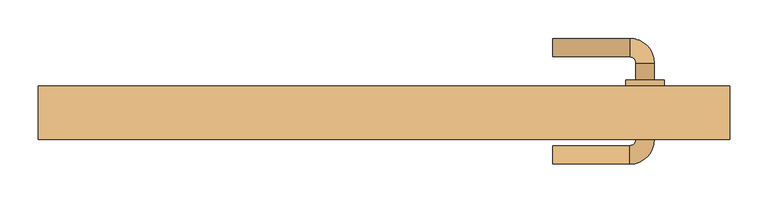
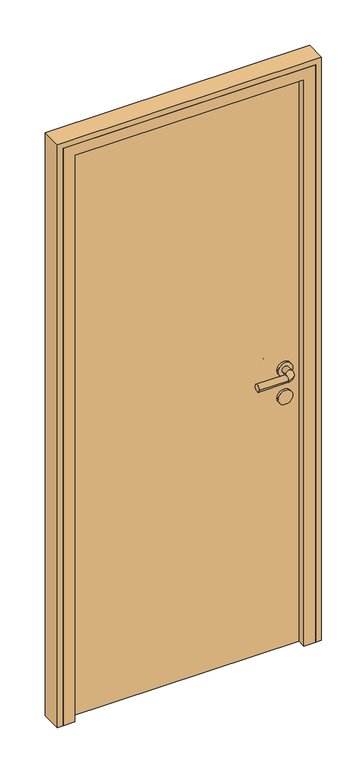
"""IFC4 building model written with IfcOpenShell, lengths in millimetres: door geometry."""

from ifc_helpers import new_model, si_unit, point, frame, frame_2d, origin, origin_with_axes, place, context, project, spatial, polyline, circle_curve, ellipse_curve, trimmed, segment, composite_curve, outline, extrude, faceted_brep, source, transform, mapped, element, save
from ifc_brep_helpers import plane_surface, cylinder_surface, revolved_surface, advanced_brep


def door_438a96b4(model_context):
    return source(origin(), model_context, "Body", "SolidModel", [
        advanced_brep(
        [(220.0, 152.0, 1000.0), (220.0, 128.0, 1000.0), (320.0, 128.0, 1000.0), (320.0, 152.0, 1000.0), (328.0, 120.0, 1000.0), (352.0, 120.0, 1000.0), (352.0, 20.0, 1000.0), (352.0, 42.0, 1000.0), (328.0, 42.0, 1000.0), (328.0, 20.0, 1000.0), (328.0, 98.0, 1000.0), (352.0, 98.0, 1000.0), (320.0, 12.0, 1000.0), (320.0, -12.0, 1000.0), (220.0, -12.0, 1000.0), (220.0, 12.0, 1000.0), (365.0, 98.0, 1000.0), (315.0, 98.0, 1000.0), (365.0, 42.0, 1000.0), (315.0, 42.0, 1000.0)],
        [
            (0, 1, circle_curve(frame((220.0, 140.0, 1000.0), z_axis=(-1.0, 0.0, 0.0), x_axis=(0.0, -1.0, 0.0)), 12.0)),
            (1, 0, circle_curve(frame((220.0, 140.0, 1000.0), z_axis=(-1.0, 0.0, 0.0), x_axis=(0.0, -1.0, 0.0)), 12.0)),
            (1, 2),
            (2, 3, circle_curve(frame((320.0, 140.0, 1000.0), z_axis=(-1.0, 0.0, 0.0), x_axis=(0.0, -1.0, 0.0)), 12.0)),
            (3, 0),
            (3, 2, circle_curve(frame((320.0, 140.0, 1000.0), z_axis=(-1.0, 0.0, 0.0), x_axis=(0.0, -1.0, 0.0)), 12.0)),
            (2, 4, circle_curve(frame((320.0, 120.0, 1000.0), z_axis=(0.0, 0.0, -1.0), x_axis=(0.0, 1.0, 0.0)), 8.0)),
            (4, 5, circle_curve(frame((340.0, 120.0, 1000.0), z_axis=(0.0, 1.0, 0.0), x_axis=(-1.0, 0.0, 0.0)), 12.0)),
            (5, 3, circle_curve(frame((320.0, 120.0, 1000.0), z_axis=(0.0, 0.0, 1.0), x_axis=(0.0, 1.0, 0.0)), 32.0)),
            (5, 4, circle_curve(frame((340.0, 120.0, 1000.0), z_axis=(0.0, 1.0, 0.0), x_axis=(-1.0, 0.0, 0.0)), 12.0)),
            (6, 7),
            (7, 8, circle_curve(frame((340.0, 42.0, 1000.0), z_axis=(0.0, -1.0, 0.0), x_axis=(-1.0, 0.0, 0.0)), 12.0)),
            (8, 9),
            (9, 6, circle_curve(frame((340.0, 20.0, 1000.0), z_axis=(0.0, 1.0, 0.0), x_axis=(-1.0, 0.0, 0.0)), 12.0)),
            (4, 10),
            (10, 11, circle_curve(frame((340.0, 98.0, 1000.0), z_axis=(0.0, 1.0, 0.0), x_axis=(-1.0, 0.0, 0.0)), 12.0)),
            (11, 5),
            (11, 10, circle_curve(frame((340.0, 98.0, 1000.0), z_axis=(0.0, 1.0, 0.0), x_axis=(-1.0, 0.0, 0.0)), 12.0)),
            (8, 7, circle_curve(frame((340.0, 42.0, 1000.0), z_axis=(0.0, -1.0, 0.0), x_axis=(-1.0, 0.0, 0.0)), 12.0)),
            (6, 9, circle_curve(frame((340.0, 20.0, 1000.0), z_axis=(0.0, 1.0, 0.0), x_axis=(-1.0, 0.0, 0.0)), 12.0)),
            (9, 12, circle_curve(frame((320.0, 20.0, 1000.0), z_axis=(0.0, 0.0, -1.0), x_axis=(1.0, 0.0, 0.0)), 8.0)),
            (12, 13, circle_curve(frame((320.0, 0.0, 1000.0), z_axis=(1.0, 0.0, 0.0), x_axis=(0.0, 1.0, 0.0)), 12.0)),
            (13, 6, circle_curve(frame((320.0, 20.0, 1000.0), z_axis=(0.0, 0.0, 1.0), x_axis=(1.0, 0.0, 0.0)), 32.0)),
            (13, 12, circle_curve(frame((320.0, 0.0, 1000.0), z_axis=(1.0, 0.0, 0.0), x_axis=(0.0, 1.0, 0.0)), 12.0)),
            (14, 15, circle_curve(frame((220.0, 0.0, 1000.0), z_axis=(-1.0, 0.0, 0.0), x_axis=(0.0, 1.0, 0.0)), 12.0)),
            (15, 14, circle_curve(frame((220.0, 0.0, 1000.0), z_axis=(-1.0, 0.0, 0.0), x_axis=(0.0, 1.0, 0.0)), 12.0)),
            (12, 15),
            (14, 13),
            (16, 17, circle_curve(frame((340.0, 98.0, 1000.0), z_axis=(0.0, 1.0, 0.0), x_axis=(-1.0, 0.0, 0.0)), 25.0)),
            (17, 16, circle_curve(frame((340.0, 98.0, 1000.0), z_axis=(0.0, 1.0, 0.0), x_axis=(-1.0, 0.0, 0.0)), 25.0)),
            (18, 19, circle_curve(frame((340.0, 42.0, 1000.0), z_axis=(0.0, -1.0, 0.0), x_axis=(-1.0, 0.0, 0.0)), 25.0)),
            (19, 18, circle_curve(frame((340.0, 42.0, 1000.0), z_axis=(0.0, -1.0, 0.0), x_axis=(-1.0, 0.0, 0.0)), 25.0)),
            (16, 18),
            (19, 17),
        ],
        [
            plane_surface(frame((220.0, 140.0, 1000.0), z_axis=(-1.0, 0.0, 0.0), x_axis=(0.0, 0.0, 1.0))),
            cylinder_surface(frame((220.0, 140.0, 1000.0), z_axis=(-1.0, 0.0, 0.0), x_axis=(0.0, -1.0, 0.0)), 12.0),
            revolved_surface(trimmed(ellipse_curve(frame((320.0, 140.0, 1000.0), z_axis=(1.0, 0.0, 0.0), x_axis=(0.0, -1.0, 0.0)), 12.0, 12.0), [point((320.0, 152.0, 1000.0))], [point((320.0, 128.0, 1000.0))], True, "CARTESIAN"), (320.0, 120.0, 1000.0), (0.0, 0.0, 1.0)),
            revolved_surface(trimmed(ellipse_curve(frame((320.0, 140.0, 1000.0), z_axis=(1.0, 0.0, 0.0), x_axis=(0.0, -1.0, 0.0)), 12.0, 12.0), [point((320.0, 128.0, 1000.0))], [point((320.0, 152.0, 1000.0))], True, "CARTESIAN"), (320.0, 120.0, 1000.0), (0.0, 0.0, 1.0)),
            cylinder_surface(frame((340.0, 120.0, 1000.0), z_axis=(0.0, 1.0, 0.0), x_axis=(-1.0, 0.0, 0.0)), 12.0),
            revolved_surface(trimmed(ellipse_curve(frame((340.0, 20.0, 1000.0), z_axis=(0.0, -1.0, 0.0), x_axis=(-1.0, 0.0, 0.0)), 12.0, 12.0), [point((352.0, 20.0, 1000.0))], [point((328.0, 20.0, 1000.0))], True, "CARTESIAN"), (320.0, 20.0, 1000.0), (0.0, 0.0, 1.0)),
            revolved_surface(trimmed(ellipse_curve(frame((340.0, 20.0, 1000.0), z_axis=(0.0, -1.0, 0.0), x_axis=(-1.0, 0.0, 0.0)), 12.0, 12.0), [point((328.0, 20.0, 1000.0))], [point((352.0, 20.0, 1000.0))], True, "CARTESIAN"), (320.0, 20.0, 1000.0), (0.0, 0.0, 1.0)),
            plane_surface(frame((220.0, 0.0, 1000.0), z_axis=(-1.0, 0.0, 0.0), x_axis=(0.0, 0.0, 1.0))),
            cylinder_surface(frame((320.0, 0.0, 1000.0), z_axis=(1.0, 0.0, 0.0), x_axis=(0.0, 1.0, 0.0)), 12.0),
            plane_surface(frame((315.0, 98.0, 1000.0), z_axis=(0.0, 1.0, 0.0), x_axis=(0.0, 0.0, -1.0))),
            plane_surface(frame((315.0, 42.0, 1000.0), z_axis=(0.0, -1.0, 0.0), x_axis=(0.0, 0.0, 1.0))),
            cylinder_surface(frame((340.0, 98.0, 1000.0), z_axis=(0.0, -1.0, 0.0), x_axis=(-1.0, 0.0, 0.0)), 25.0),
        ],
        [
            (0, [[1, 2]]),
            (1, [[3, 4, 5, -2]]),
            (1, [[-5, 6, -3, -1]]),
            (2, [[7, 8, 9, -4]]),
            (3, [[-9, 10, -7, -6]]),
            (4, [[11, 12, 13, 14]]),
            (4, [[15, 16, 17, -8]]),
            (4, [[-17, 18, -15, -10]]),
            (4, [[-13, 19, -11, 20]]),
            (5, [[21, 22, 23, -14]]),
            (6, [[-23, 24, -21, -20]]),
            (7, [[25, 26]]),
            (8, [[27, -25, 28, -22]]),
            (8, [[-28, -26, -27, -24]]),
            (9, [[29, 30], [-18, -16]]),
            (10, [[31, 32], [-19, -12]]),
            (11, [[33, -32, 34, -29]]),
            (11, [[-34, -31, -33, -30]]),
        ],
    ),
        extrude(outline(composite_curve([segment(trimmed(circle_curve(frame_2d((900.0, 340.0)), 25.0), [point((900.0, 365.0))], [point((900.0, 315.0))], False, "CARTESIAN"), True, "CONTINUOUS"), segment(trimmed(circle_curve(frame_2d((900.0, 340.0)), 25.0), [point((900.0, 315.0))], [point((900.0, 365.0))], False, "CARTESIAN"), True, "CONTINUOUS")], self_intersect=False)), frame((0.0, 42.0, 0.0), z_axis=(0.0, 1.0, 0.0), x_axis=(0.0, 0.0, 1.0)), (0.0, 0.0, 1.0), 56.0),
        extrude(outline(polyline([(400.0, 50.0), (-400.0, 50.0), (-400.0, 90.0), (400.0, 90.0), (400.0, 50.0)])), origin_with_axes(), (0.0, 0.0, 1.0), 2050.0),
        extrude(outline(polyline([(0.0, 450.0), (2100.0, 450.0), (2100.0, -450.0), (0.0, -450.0), (0.0, -430.0), (2080.0, -430.0), (2080.0, 430.0), (0.0, 430.0), (0.0, 450.0)])), frame((0.0, 20.0, 0.0), z_axis=(0.0, 1.0, 0.0), x_axis=(0.0, 0.0, 1.0)), (0.0, 0.0, 1.0), 70.0),
        faceted_brep([(-430.0, 20.0, 0.0), (-430.0, 90.0, 0.0), (-400.0, 90.0, 0.0), (-400.0, 50.0, 0.0), (-390.0, 50.0, 0.0), (-390.0, 20.0, 0.0), (-430.0, 20.0, 2080.0), (-430.0, 90.0, 2080.0), (430.0, 90.0, 2080.0), (430.0, 90.0, 0.0), (400.0, 90.0, 0.0), (400.0, 90.0, 2050.0), (-400.0, 90.0, 2050.0), (-400.0, 50.0, 2050.0), (400.0, 50.0, 2050.0), (400.0, 50.0, 0.0), (390.0, 50.0, 0.0), (390.0, 50.0, 2040.0), (-390.0, 50.0, 2040.0), (-390.0, 20.0, 2040.0), (390.0, 20.0, 2040.0), (390.0, 20.0, 0.0), (430.0, 20.0, 0.0), (430.0, 20.0, 2080.0)], [[[0, 1, 2, 3, 4, 5]], [[1, 0, 6, 7]], [[2, 1, 7, 8, 9, 10, 11, 12]], [[3, 2, 12, 13]], [[4, 3, 13, 14, 15, 16, 17, 18]], [[5, 4, 18, 19]], [[0, 5, 19, 20, 21, 22, 23, 6]], [[7, 6, 23, 8]], [[13, 12, 11, 14]], [[19, 18, 17, 20]], [[22, 21, 16, 15, 10, 9]], [[8, 23, 22, 9]], [[14, 11, 10, 15]], [[20, 17, 16, 21]]]),
    ])


if __name__ == "__main__":
    model = new_model("IFC4")
    model_context = context("Model", 3, world=origin())
    ifc_project = project(units=[si_unit("LENGTHUNIT", "METRE", prefix="MILLI")], contexts=[model_context])
    site = spatial("IfcSite", under=ifc_project)
    building = spatial("IfcBuilding", under=site)
    placement = place(None, origin())
    door_shape = door_438a96b4(model_context)
    element("IfcDoor", 1, at=placement, inside=building, context=model_context, shape_type="MappedRepresentation", body=[
        mapped(door_shape, transform((0.0, 0.0, 0.0), x_axis=(1.0, 0.0, 0.0), y_axis=(0.0, 1.0, 0.0), z_axis=(0.0, 0.0, 1.0))),
    ])
    save(model, "model.ifc")
